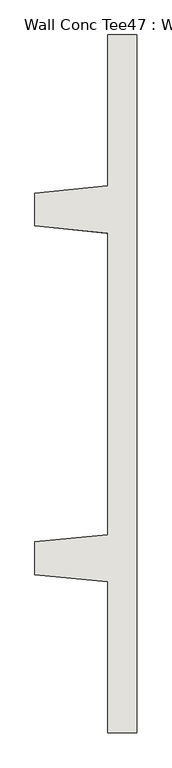
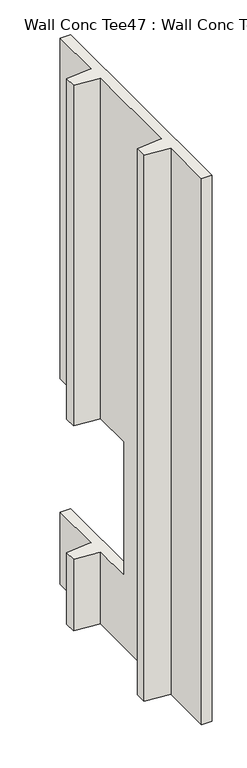
"""IFC4 building model written with IfcOpenShell, lengths in millimetres: wall geometry, Wall Conc Tee47 : Wall Conc Tee."""

import ifcopenshell
import ifcopenshell.guid

model = None  # the IFC model being written
_history = None  # IfcOwnerHistory: only IFC2X3 demands one
_inside = {}  # id of a spatial element -> (the spatial element, [elements in it])
_under = {}  # id of a project, library or spatial element -> (it, [spatial elements below it])
_declared = {}  # id of a project -> (the project, [libraries it declares])
_typed = {}  # id of a type object -> (the type object, [elements of that type])
_made_of = {}  # id of a material, layer set ... -> (it, [elements and type objects made of it])


def new_model(schema):
    """Start an empty IFC model of exactly this schema.

    Asked for "IFC4X3", IfcOpenShell would pick the latest addendum, in which some entities
    have other attributes; the version numbers below select the first issue.
    IFC2X3 requires an IfcOwnerHistory on every rooted entity: one is made here for all.
    """
    global model, _history
    if schema == "IFC4X3":
        model = ifcopenshell.file(schema_version=(4, 3, 0, 0))
    else:
        model = ifcopenshell.file(schema=schema)
    _inside.clear()
    _under.clear()
    _declared.clear()
    _typed.clear()
    _made_of.clear()
    _history = None
    if model.schema == "IFC2X3":
        org = make("IfcOrganization", Name="unknown")
        user = make(
            "IfcPersonAndOrganization",
            ThePerson=make("IfcPerson", FamilyName="unknown"),
            TheOrganization=org,
        )
        app = make(
            "IfcApplication",
            ApplicationDeveloper=org,
            Version="unknown",
            ApplicationFullName="unknown",
            ApplicationIdentifier="unknown",
        )
        _history = make(
            "IfcOwnerHistory",
            OwningUser=user,
            OwningApplication=app,
            ChangeAction="ADDED",
            CreationDate=0,
        )
    return model


def make(cls, **values):
    """One entity of the class cls with the attributes given. An attribute that is None is left unset."""
    return model.create_entity(
        cls, **{name: value for name, value in values.items() if value is not None}
    )


def rooted(cls, **values):
    """An entity with a GlobalId (a new one), such as an element, a storey or a relation."""
    return make(cls, GlobalId=ifcopenshell.guid.new(), OwnerHistory=_history, **values)


def si_unit(unit_type, name, prefix=None):
    """IfcSIUnit, for example si_unit("LENGTHUNIT", "METRE", prefix="MILLI")."""
    return make("IfcSIUnit", UnitType=unit_type, Prefix=prefix, Name=name)


def assignment(units):
    """IfcUnitAssignment: the units of a project."""
    return None if units is None else make("IfcUnitAssignment", Units=units)


def point(xyz):
    """IfcCartesianPoint."""
    return None if xyz is None else make("IfcCartesianPoint", Coordinates=xyz)


def direction(xyz):
    """IfcDirection."""
    return None if xyz is None else make("IfcDirection", DirectionRatios=xyz)


def frame(location, z_axis=None, x_axis=None):
    """IfcAxis2Placement3D, a coordinate frame: its origin and axes. An axis left out is left unset."""
    return make(
        "IfcAxis2Placement3D",
        Location=point(location),
        Axis=direction(z_axis),
        RefDirection=direction(x_axis),
    )


def origin():
    """The frame at (0, 0, 0) with its axes left unset."""
    return frame((0.0, 0.0, 0.0))


def place(relative_to, where):
    """IfcLocalPlacement: puts the frame where relative to a parent placement (None: the world)."""
    return make(
        "IfcLocalPlacement", PlacementRelTo=relative_to, RelativePlacement=where
    )


def context(
    kind, dimensions, precision=None, world=None, true_north=None, identifier=None
):
    """IfcGeometricRepresentationContext, for example the 3D "Model" context."""
    return make(
        "IfcGeometricRepresentationContext",
        ContextIdentifier=identifier,
        ContextType=kind,
        CoordinateSpaceDimension=dimensions,
        Precision=precision,
        WorldCoordinateSystem=world,
        TrueNorth=true_north,
    )


def project(units=None, contexts=None):
    """IfcProject with its units and contexts."""
    return rooted(
        "IfcProject",
        Name="project",
        RepresentationContexts=contexts,
        UnitsInContext=assignment(units),
    )


def spatial(cls, under=None, at=None, **own):
    """A site, building, storey or space (cls), placed at a placement, below another one or the project."""
    s = rooted(cls, ObjectPlacement=at, **own)
    if under is not None:
        _under.setdefault(under.id(), (under, []))[1].append(s)
    return s


def faces_of(points, faces, orient=None, outer=None):
    """IfcFace entities. A face is a list of loops; a loop is a list of indices into points, from 0.

    orient and outer hold one flag for each loop. By default every Orientation is true, the
    first loop of a face is its IfcFaceOuterBound and the others are IfcFaceBound.
    """
    made = []
    for i, loops in enumerate(faces):
        bounds = []
        for j, loop in enumerate(loops):
            is_outer = j == 0 if outer is None else outer[i][j]
            bounds.append(
                make(
                    "IfcFaceOuterBound" if is_outer else "IfcFaceBound",
                    Bound=make("IfcPolyLoop", Polygon=[points[k] for k in loop]),
                    Orientation=True if orient is None else orient[i][j],
                )
            )
        made.append(make("IfcFace", Bounds=bounds))
    return made


def faceted_brep(points, faces, orient=None, outer=None, voids=None):
    """IfcFacetedBrep: a solid bounded by flat faces; with voids (closed shells), ...WithVoids."""
    shared = [point(p) for p in points]
    hull = make("IfcClosedShell", CfsFaces=faces_of(shared, faces, orient, outer))
    if voids is None:
        return make("IfcFacetedBrep", Outer=hull)
    return make(
        "IfcFacetedBrepWithVoids",
        Outer=hull,
        Voids=[
            make(cls, CfsFaces=faces_of(shared, fs, o, b)) for cls, fs, o, b in voids
        ],
    )


def shape(context_of_items, identifier, shape_type, items):
    """IfcShapeRepresentation: the items that make up one representation, for example the "Body"."""
    return make(
        "IfcShapeRepresentation",
        ContextOfItems=context_of_items,
        RepresentationIdentifier=identifier,
        RepresentationType=shape_type,
        Items=items,
    )


def source(mapping_origin, context_of_items, identifier, shape_type, items):
    """IfcRepresentationMap: a shape defined once, which mapped items show again and again."""
    return make(
        "IfcRepresentationMap",
        MappingOrigin=mapping_origin,
        MappedRepresentation=shape(context_of_items, identifier, shape_type, items),
    )


def transform(
    local_origin,
    x_axis=None,
    y_axis=None,
    z_axis=None,
    scale=None,
    scale2=None,
    scale3=None,
    uniform=True,
):
    """IfcCartesianTransformationOperator3D, or its non-uniform kind. x_axis, y_axis, z_axis: its Axis1, 2, 3."""
    if uniform:
        return make(
            "IfcCartesianTransformationOperator3D",
            Axis1=direction(x_axis),
            Axis2=direction(y_axis),
            LocalOrigin=point(local_origin),
            Scale=scale,
            Axis3=direction(z_axis),
        )
    return make(
        "IfcCartesianTransformationOperator3DnonUniform",
        Axis1=direction(x_axis),
        Axis2=direction(y_axis),
        LocalOrigin=point(local_origin),
        Scale=scale,
        Axis3=direction(z_axis),
        Scale2=scale2,
        Scale3=scale3,
    )


def mapped(mapping_source, mapping_target):
    """IfcMappedItem: shows the shape of a source again, moved by a transform."""
    return make(
        "IfcMappedItem", MappingSource=mapping_source, MappingTarget=mapping_target
    )


def made_of(thing, what):
    """Note that an element or type object is made of a material, layer set ...; save() writes the relation."""
    if what is not None:
        _made_of.setdefault(what.id(), (what, []))[1].append(thing)
    return thing


def element(
    cls,
    number,
    at=None,
    inside=None,
    cuts=None,
    type_object=None,
    material=None,
    context=None,
    identifier="Body",
    shape_type=None,
    held_by="IfcProductDefinitionShape",
    body=None,
    shapes=None,
    **own,
):
    """One element of the class cls, such as IfcWall. Its Tag is "e" and its number.

    at: its placement. inside: the storey or other place that contains it. cuts: it is an
    opening in that element (IfcRelVoidsElement). A single representation is given by context,
    identifier, shape_type and body (its items); several are given by shapes. held_by: the class
    of the entity that holds the representations. save() writes the other relations.
    """
    e = rooted(cls, Tag="e%d" % number, ObjectPlacement=at, **own)
    if body is not None:
        shapes = [shape(context, identifier, shape_type, body)]
    if shapes is not None:
        e.Representation = make(held_by, Representations=shapes)
    if inside is not None:
        _inside.setdefault(inside.id(), (inside, []))[1].append(e)
    if cuts is not None:
        rooted(
            "IfcRelVoidsElement", RelatingBuildingElement=cuts, RelatedOpeningElement=e
        )
    if type_object is not None:
        _typed.setdefault(type_object.id(), (type_object, []))[1].append(e)
    return made_of(e, material)


def aggregate(whole, parts):
    """IfcRelAggregates: a whole, such as a stair, and the parts it consists of."""
    return rooted("IfcRelAggregates", RelatingObject=whole, RelatedObjects=parts)


def save(model, path):
    """Write the relations noted so far, then the file.

    IfcRelAggregates (storeys below a building ...), IfcRelContainedInSpatialStructure (elements
    in a storey), IfcRelDefinesByType, IfcRelAssociatesMaterial and IfcRelDeclares: one each for
    every whole, place, type object, material and project.
    """
    for whole, parts in _under.values():
        aggregate(whole, parts)
    for where, things in _inside.values():
        rooted(
            "IfcRelContainedInSpatialStructure",
            RelatedElements=things,
            RelatingStructure=where,
        )
    for kind, things in _typed.values():
        rooted("IfcRelDefinesByType", RelatedObjects=things, RelatingType=kind)
    for what, things in _made_of.values():
        rooted("IfcRelAssociatesMaterial", RelatedObjects=things, RelatingMaterial=what)
    for by, libraries in _declared.values():
        rooted("IfcRelDeclares", RelatingContext=by, RelatedDefinitions=libraries)
    model.write(path)


def wall_conc_tee47_wall_conc_tee_b134e996(model_context):
    return source(origin(), model_context, "Body", "Brep", [
        faceted_brep([(204051.6728488, 163259.2596581, 5884.1592564), (204051.6728488, 165697.6596581, 5884.1592564), (203950.0728488, 165697.6596581, 5884.1592564), (203950.0728488, 165170.6096581, 5884.1592564), (203696.0728488, 165145.2096581, 5884.1592564), (203696.0728488, 165030.9096581, 5884.1592564), (203950.0728488, 165005.5096581, 5884.1592564), (203950.0728488, 163951.4096581, 5884.1592564), (203696.0728488, 163926.0096581, 5884.1592564), (203696.0728488, 163811.7096581, 5884.1592564), (203950.0728488, 163786.3096581, 5884.1592564), (203950.0728488, 163259.2596581, 5884.1592564), (204051.6728488, 163259.2596581, 143.7592564), (203950.0728488, 163259.2596581, 143.7592564), (203950.0728488, 163786.3096581, 143.7592564), (203696.0728488, 163811.7096581, 143.7592564), (203696.0728488, 163926.0096581, 143.7592564), (203950.0728488, 163951.4096581, 143.7592564), (203950.0728488, 165005.5096581, 143.7592564), (203696.0728488, 165030.9096581, 143.7592564), (203696.0728488, 165145.2096581, 143.7592564), (203950.0728488, 165170.6096581, 143.7592564), (203950.0728488, 165697.6596581, 143.7592564), (204051.6728488, 165697.6596581, 143.7592564), (204051.6728488, 165697.6596581, 899.3632155), (204051.6728488, 164602.2846581, 899.3632155), (204051.6728488, 164602.2846581, 2302.7592564), (204051.6728488, 164602.2846581, 2303.1038052), (204051.6728488, 165697.6596581, 2303.1038052), (203950.0728488, 165697.6596581, 2303.1038052), (203950.0728488, 165697.6596581, 899.3632155), (203950.0728488, 165170.6096581, 2303.1038052), (203950.0728488, 165170.6096581, 899.3632155), (203696.0728488, 165145.2096581, 2303.1038052), (203696.0728488, 165145.2096581, 899.3632155), (203946.0088488, 165170.2032581, 899.3632155), (203696.0728488, 165030.9096581, 2303.1038052), (203696.0728488, 165030.9096581, 899.3632155), (203950.0728488, 165005.5096581, 2303.1038052), (203950.0728488, 165005.5096581, 899.3632155), (203946.0088488, 165005.9160581, 899.3632155), (203950.0728488, 164602.2846581, 2303.1038052), (203950.0728488, 164602.2846581, 2302.7592564), (203950.0728488, 164602.2846581, 899.3632155)], [[[0, 1, 2, 3, 4, 5, 6, 7, 8, 9, 10, 11]], [[12, 13, 14, 15, 16, 17, 18, 19, 20, 21, 22, 23]], [[1, 0, 12, 23, 24, 25, 26, 27, 28]], [[2, 1, 28, 29]], [[23, 22, 30, 24]], [[3, 2, 29, 31]], [[22, 21, 32, 30]], [[4, 3, 31, 33]], [[21, 20, 34, 35, 32]], [[5, 4, 33, 36]], [[20, 19, 37, 34]], [[6, 5, 36, 38]], [[19, 18, 39, 40, 37]], [[7, 6, 38, 41, 42, 43, 39, 18, 17]], [[8, 7, 17, 16]], [[9, 8, 16, 15]], [[10, 9, 15, 14]], [[11, 10, 14, 13]], [[0, 11, 13, 12]], [[28, 27, 41, 38, 36, 33, 31, 29]], [[25, 24, 30, 32, 35, 34, 37, 40, 39, 43]], [[41, 27, 26, 25, 43, 42]]]),
    ])


if __name__ == "__main__":
    model = new_model("IFC4")
    model_context = context("Model", 3, world=origin())
    ifc_project = project(units=[si_unit("LENGTHUNIT", "METRE", prefix="MILLI")], contexts=[model_context])
    site = spatial("IfcSite", under=ifc_project)
    building = spatial("IfcBuilding", under=site)
    placement = place(None, origin())
    wall_conc_tee47_wall_conc_tee_shape = wall_conc_tee47_wall_conc_tee_b134e996(model_context)
    element("IfcWall", 1, ObjectType="Wall Conc Tee47 : Wall Conc Tee", at=placement, inside=building, context=model_context, shape_type="MappedRepresentation", body=[
        mapped(wall_conc_tee47_wall_conc_tee_shape, transform((0.0, 0.0, 0.0), x_axis=(1.0, 0.0, 0.0), y_axis=(0.0, 1.0, 0.0), z_axis=(0.0, 0.0, 1.0))),
    ])
    save(model, "model.ifc")
